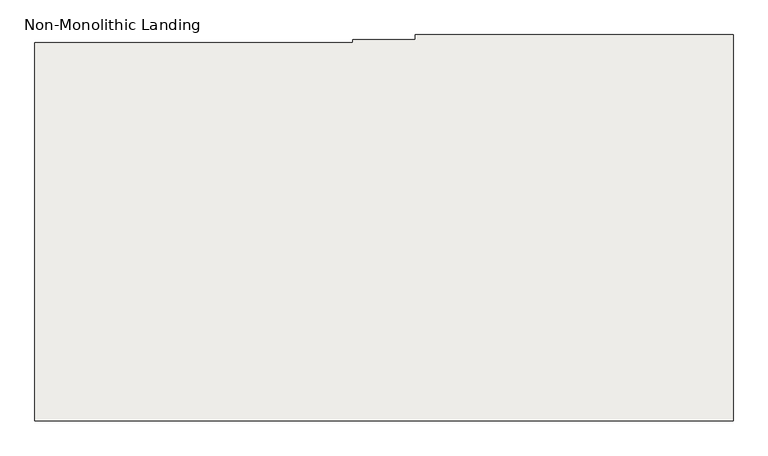
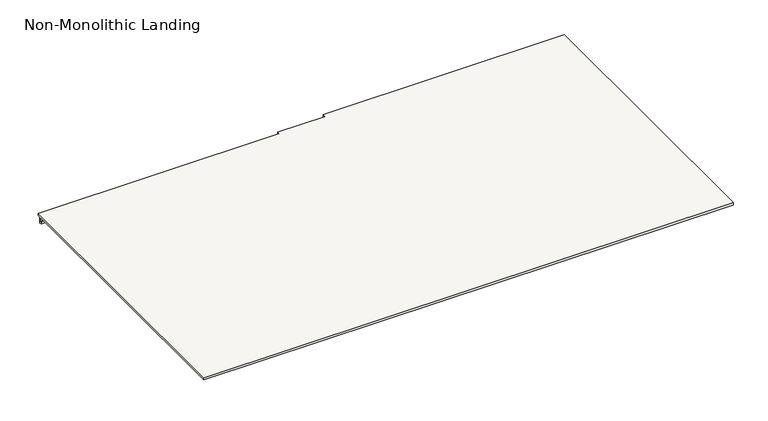
"""IFC4 building model written with IfcOpenShell, lengths in millimetres: slab geometry, Non-Monolithic Landing."""

from ifc_helpers import new_model, si_unit, origin, place, context, project, spatial, faceted_brep, source, transform, mapped, element, save


def non_monolithic_landing_01ad2111(model_context):
    return source(origin(), model_context, "Body", "Brep", [
        faceted_brep([(-15322.7515248, -4758.9832568, 3979.7647059), (-15322.7515248, -4743.9832568, 3979.7647059), (-16322.7515248, -4743.9832568, 3979.7647059), (-16322.7515248, -4758.9832568, 3979.7647059), (-16519.2515248, -4758.9832568, 3979.7647059), (-16519.2515248, -4768.9832568, 3979.7647059), (-17519.2515248, -4768.9832568, 3979.7647059), (-17519.2515248, -5958.9832568, 3979.7647059), (-15322.7515248, -5958.9832568, 3979.7647059), (-15322.7515248, -4743.9832568, 3969.7647059), (-15322.7515248, -4758.9832568, 3969.7647059), (-15322.7515248, -5958.9832568, 3969.7647059), (-17519.2515248, -5958.9832568, 3969.7647059), (-17519.2515248, -4782.2776112, 3969.7647059), (-16519.2515248, -4782.2776112, 3969.7647059), (-16519.2515248, -4778.9832568, 3969.7647059), (-17519.2515248, -4778.9832568, 3969.7647059), (-17519.2515248, -4768.9832568, 3969.7647059), (-16519.2515248, -4768.9832568, 3969.7647059), (-16519.2515248, -4758.9832568, 3969.7647059), (-16322.7515248, -4758.9832568, 3969.7647059), (-16322.7515248, -4743.9832568, 3969.7647059), (-17519.2515248, -4778.9832568, 3943.8840866), (-17519.2515248, -4788.1775789, 3943.8840866), (-17519.2515248, -4788.1775789, 3953.1427353), (-17519.2515248, -4782.2776112, 3953.1297322), (-16519.2515248, -4788.1775789, 3943.8840866), (-16519.2515248, -4778.9832568, 3943.8840866), (-16519.2515248, -4782.2776112, 3953.1297322), (-16519.2515248, -4788.1775789, 3953.1427353)], [[[0, 1, 2, 3, 4, 5, 6, 7, 8]], [[9, 10, 11, 12, 13, 14, 15, 16, 17, 18, 19, 20, 21]], [[6, 17, 16, 22, 23, 24, 25, 13, 12, 7]], [[8, 7, 12, 11]], [[0, 8, 11, 10]], [[4, 3, 20, 19]], [[2, 1, 9, 21]], [[1, 0, 10, 9]], [[3, 2, 21, 20]], [[6, 5, 18, 17]], [[26, 27, 15, 14, 28, 29]], [[27, 22, 16, 15]], [[23, 22, 27, 26]], [[24, 23, 26, 29]], [[25, 24, 29, 28]], [[25, 28, 14, 13]], [[5, 4, 19, 18]]]),
    ])


if __name__ == "__main__":
    model = new_model("IFC4")
    model_context = context("Model", 3, world=origin())
    ifc_project = project(units=[si_unit("LENGTHUNIT", "METRE", prefix="MILLI")], contexts=[model_context])
    site = spatial("IfcSite", under=ifc_project)
    building = spatial("IfcBuilding", under=site)
    placement = place(None, origin())
    non_monolithic_landing_shape = non_monolithic_landing_01ad2111(model_context)
    element("IfcSlab", 1, ObjectType="Non-Monolithic Landing", at=placement, inside=building, context=model_context, shape_type="MappedRepresentation", body=[
        mapped(non_monolithic_landing_shape, transform((0.0, 0.0, 0.0), x_axis=(1.0, 0.0, 0.0), y_axis=(0.0, 1.0, 0.0), z_axis=(0.0, 0.0, 1.0))),
    ])
    save(model, "model.ifc")
